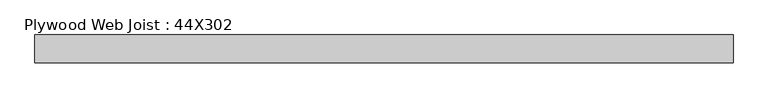
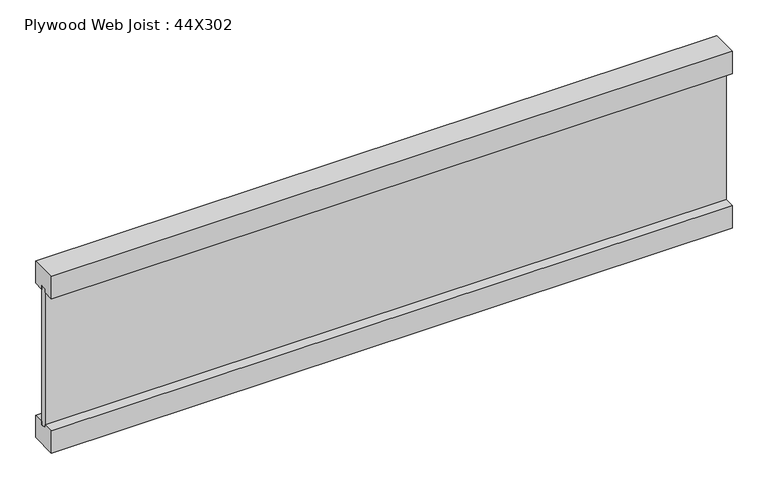
"""IFC4 building model written with IfcOpenShell, lengths in millimetres: beam geometry, Plywood Web Joist : 44X302."""

import ifcopenshell
import ifcopenshell.guid

model = None  # the IFC model being written
_history = None  # IfcOwnerHistory: only IFC2X3 demands one
_inside = {}  # id of a spatial element -> (the spatial element, [elements in it])
_under = {}  # id of a project, library or spatial element -> (it, [spatial elements below it])
_declared = {}  # id of a project -> (the project, [libraries it declares])
_typed = {}  # id of a type object -> (the type object, [elements of that type])
_made_of = {}  # id of a material, layer set ... -> (it, [elements and type objects made of it])


def new_model(schema):
    """Start an empty IFC model of exactly this schema.

    Asked for "IFC4X3", IfcOpenShell would pick the latest addendum, in which some entities
    have other attributes; the version numbers below select the first issue.
    IFC2X3 requires an IfcOwnerHistory on every rooted entity: one is made here for all.
    """
    global model, _history
    if schema == "IFC4X3":
        model = ifcopenshell.file(schema_version=(4, 3, 0, 0))
    else:
        model = ifcopenshell.file(schema=schema)
    _inside.clear()
    _under.clear()
    _declared.clear()
    _typed.clear()
    _made_of.clear()
    _history = None
    if model.schema == "IFC2X3":
        org = make("IfcOrganization", Name="unknown")
        user = make(
            "IfcPersonAndOrganization",
            ThePerson=make("IfcPerson", FamilyName="unknown"),
            TheOrganization=org,
        )
        app = make(
            "IfcApplication",
            ApplicationDeveloper=org,
            Version="unknown",
            ApplicationFullName="unknown",
            ApplicationIdentifier="unknown",
        )
        _history = make(
            "IfcOwnerHistory",
            OwningUser=user,
            OwningApplication=app,
            ChangeAction="ADDED",
            CreationDate=0,
        )
    return model


def make(cls, **values):
    """One entity of the class cls with the attributes given. An attribute that is None is left unset."""
    return model.create_entity(
        cls, **{name: value for name, value in values.items() if value is not None}
    )


def rooted(cls, **values):
    """An entity with a GlobalId (a new one), such as an element, a storey or a relation."""
    return make(cls, GlobalId=ifcopenshell.guid.new(), OwnerHistory=_history, **values)


def si_unit(unit_type, name, prefix=None):
    """IfcSIUnit, for example si_unit("LENGTHUNIT", "METRE", prefix="MILLI")."""
    return make("IfcSIUnit", UnitType=unit_type, Prefix=prefix, Name=name)


def assignment(units):
    """IfcUnitAssignment: the units of a project."""
    return None if units is None else make("IfcUnitAssignment", Units=units)


def point(xyz):
    """IfcCartesianPoint."""
    return None if xyz is None else make("IfcCartesianPoint", Coordinates=xyz)


def direction(xyz):
    """IfcDirection."""
    return None if xyz is None else make("IfcDirection", DirectionRatios=xyz)


def frame(location, z_axis=None, x_axis=None):
    """IfcAxis2Placement3D, a coordinate frame: its origin and axes. An axis left out is left unset."""
    return make(
        "IfcAxis2Placement3D",
        Location=point(location),
        Axis=direction(z_axis),
        RefDirection=direction(x_axis),
    )


def origin():
    """The frame at (0, 0, 0) with its axes left unset."""
    return frame((0.0, 0.0, 0.0))


def place(relative_to, where):
    """IfcLocalPlacement: puts the frame where relative to a parent placement (None: the world)."""
    return make(
        "IfcLocalPlacement", PlacementRelTo=relative_to, RelativePlacement=where
    )


def context(
    kind, dimensions, precision=None, world=None, true_north=None, identifier=None
):
    """IfcGeometricRepresentationContext, for example the 3D "Model" context."""
    return make(
        "IfcGeometricRepresentationContext",
        ContextIdentifier=identifier,
        ContextType=kind,
        CoordinateSpaceDimension=dimensions,
        Precision=precision,
        WorldCoordinateSystem=world,
        TrueNorth=true_north,
    )


def project(units=None, contexts=None):
    """IfcProject with its units and contexts."""
    return rooted(
        "IfcProject",
        Name="project",
        RepresentationContexts=contexts,
        UnitsInContext=assignment(units),
    )


def spatial(cls, under=None, at=None, **own):
    """A site, building, storey or space (cls), placed at a placement, below another one or the project."""
    s = rooted(cls, ObjectPlacement=at, **own)
    if under is not None:
        _under.setdefault(under.id(), (under, []))[1].append(s)
    return s


def polyline(points):
    """IfcPolyline through the points."""
    return make("IfcPolyline", Points=[point(p) for p in points])


def outline(outer, holes=None, kind="AREA"):
    """IfcArbitraryClosedProfileDef: a profile drawn as a closed curve; with holes, ...WithVoids."""
    if holes is None:
        return make("IfcArbitraryClosedProfileDef", ProfileType=kind, OuterCurve=outer)
    return make(
        "IfcArbitraryProfileDefWithVoids",
        ProfileType=kind,
        OuterCurve=outer,
        InnerCurves=holes,
    )


def extrude(swept, where, along, depth):
    """IfcExtrudedAreaSolid: the profile swept, set in the frame where, extruded along a direction by depth."""
    return make(
        "IfcExtrudedAreaSolid",
        SweptArea=swept,
        Position=where,
        ExtrudedDirection=direction(along),
        Depth=depth,
    )


def shape(context_of_items, identifier, shape_type, items):
    """IfcShapeRepresentation: the items that make up one representation, for example the "Body"."""
    return make(
        "IfcShapeRepresentation",
        ContextOfItems=context_of_items,
        RepresentationIdentifier=identifier,
        RepresentationType=shape_type,
        Items=items,
    )


def source(mapping_origin, context_of_items, identifier, shape_type, items):
    """IfcRepresentationMap: a shape defined once, which mapped items show again and again."""
    return make(
        "IfcRepresentationMap",
        MappingOrigin=mapping_origin,
        MappedRepresentation=shape(context_of_items, identifier, shape_type, items),
    )


def transform(
    local_origin,
    x_axis=None,
    y_axis=None,
    z_axis=None,
    scale=None,
    scale2=None,
    scale3=None,
    uniform=True,
):
    """IfcCartesianTransformationOperator3D, or its non-uniform kind. x_axis, y_axis, z_axis: its Axis1, 2, 3."""
    if uniform:
        return make(
            "IfcCartesianTransformationOperator3D",
            Axis1=direction(x_axis),
            Axis2=direction(y_axis),
            LocalOrigin=point(local_origin),
            Scale=scale,
            Axis3=direction(z_axis),
        )
    return make(
        "IfcCartesianTransformationOperator3DnonUniform",
        Axis1=direction(x_axis),
        Axis2=direction(y_axis),
        LocalOrigin=point(local_origin),
        Scale=scale,
        Axis3=direction(z_axis),
        Scale2=scale2,
        Scale3=scale3,
    )


def mapped(mapping_source, mapping_target):
    """IfcMappedItem: shows the shape of a source again, moved by a transform."""
    return make(
        "IfcMappedItem", MappingSource=mapping_source, MappingTarget=mapping_target
    )


def made_of(thing, what):
    """Note that an element or type object is made of a material, layer set ...; save() writes the relation."""
    if what is not None:
        _made_of.setdefault(what.id(), (what, []))[1].append(thing)
    return thing


def element(
    cls,
    number,
    at=None,
    inside=None,
    cuts=None,
    type_object=None,
    material=None,
    context=None,
    identifier="Body",
    shape_type=None,
    held_by="IfcProductDefinitionShape",
    body=None,
    shapes=None,
    **own,
):
    """One element of the class cls, such as IfcWall. Its Tag is "e" and its number.

    at: its placement. inside: the storey or other place that contains it. cuts: it is an
    opening in that element (IfcRelVoidsElement). A single representation is given by context,
    identifier, shape_type and body (its items); several are given by shapes. held_by: the class
    of the entity that holds the representations. save() writes the other relations.
    """
    e = rooted(cls, Tag="e%d" % number, ObjectPlacement=at, **own)
    if body is not None:
        shapes = [shape(context, identifier, shape_type, body)]
    if shapes is not None:
        e.Representation = make(held_by, Representations=shapes)
    if inside is not None:
        _inside.setdefault(inside.id(), (inside, []))[1].append(e)
    if cuts is not None:
        rooted(
            "IfcRelVoidsElement", RelatingBuildingElement=cuts, RelatedOpeningElement=e
        )
    if type_object is not None:
        _typed.setdefault(type_object.id(), (type_object, []))[1].append(e)
    return made_of(e, material)


def aggregate(whole, parts):
    """IfcRelAggregates: a whole, such as a stair, and the parts it consists of."""
    return rooted("IfcRelAggregates", RelatingObject=whole, RelatedObjects=parts)


def save(model, path):
    """Write the relations noted so far, then the file.

    IfcRelAggregates (storeys below a building ...), IfcRelContainedInSpatialStructure (elements
    in a storey), IfcRelDefinesByType, IfcRelAssociatesMaterial and IfcRelDeclares: one each for
    every whole, place, type object, material and project.
    """
    for whole, parts in _under.values():
        aggregate(whole, parts)
    for where, things in _inside.values():
        rooted(
            "IfcRelContainedInSpatialStructure",
            RelatedElements=things,
            RelatingStructure=where,
        )
    for kind, things in _typed.values():
        rooted("IfcRelDefinesByType", RelatedObjects=things, RelatingType=kind)
    for what, things in _made_of.values():
        rooted("IfcRelAssociatesMaterial", RelatedObjects=things, RelatingMaterial=what)
    for by, libraries in _declared.values():
        rooted("IfcRelDeclares", RelatingContext=by, RelatedDefinitions=libraries)
    model.write(path)


def plywood_web_joist_44x302_25bc3944(model_context):
    return source(origin(), model_context, "Body", "SweptSolid", [
        extrude(outline(polyline([(-22.0, 151.0), (22.0, 151.0), (22.0, 112.9), (4.7625, 112.9), (4.7625, 119.25), (-4.7625, 119.25), (-4.7625, 112.9), (-22.0, 112.9), (-22.0, 151.0)])), frame((-550.0, 0.0, 0.0), z_axis=(1.0, 0.0, 0.0), x_axis=(0.0, 1.0, 0.0)), (0.0, 0.0, 1.0), 1100.0),
        extrude(outline(polyline([(22.0, -112.9), (22.0, -151.0), (-22.0, -151.0), (-22.0, -112.9), (-4.7625, -112.9), (-4.7625, -118.5160374), (4.7625, -118.5160374), (4.7625, -112.9), (22.0, -112.9)])), frame((-550.0, 0.0, 0.0), z_axis=(1.0, 0.0, 0.0), x_axis=(0.0, 1.0, 0.0)), (0.0, 0.0, 1.0), 1100.0),
        extrude(outline(polyline([(550.0, 4.7625), (550.0, -4.7625), (-550.0, -4.7625), (-550.0, 4.7625), (550.0, 4.7625)])), frame((0.0, 0.0, -118.5160374), z_axis=(0.0, 0.0, 1.0), x_axis=(1.0, 0.0, 0.0)), (0.0, 0.0, 1.0), 237.7660374),
    ])


if __name__ == "__main__":
    model = new_model("IFC4")
    model_context = context("Model", 3, world=origin())
    ifc_project = project(units=[si_unit("LENGTHUNIT", "METRE", prefix="MILLI")], contexts=[model_context])
    site = spatial("IfcSite", under=ifc_project)
    building = spatial("IfcBuilding", under=site)
    placement = place(None, origin())
    plywood_web_joist_44x302_shape = plywood_web_joist_44x302_25bc3944(model_context)
    element("IfcBeam", 1, ObjectType="Plywood Web Joist : 44X302", at=placement, inside=building, context=model_context, shape_type="MappedRepresentation", body=[
        mapped(plywood_web_joist_44x302_shape, transform((0.0, 0.0, 0.0), x_axis=(1.0, 0.0, 0.0), y_axis=(0.0, 1.0, 0.0), z_axis=(0.0, 0.0, 1.0))),
    ])
    save(model, "model.ifc")
